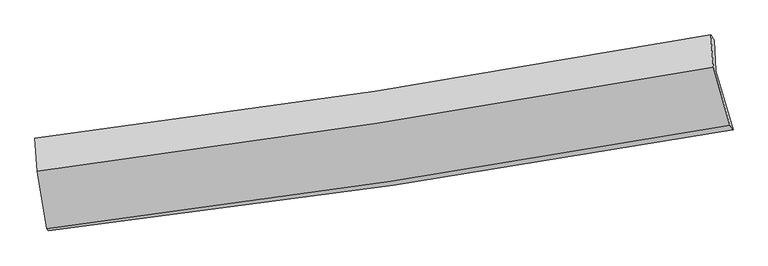
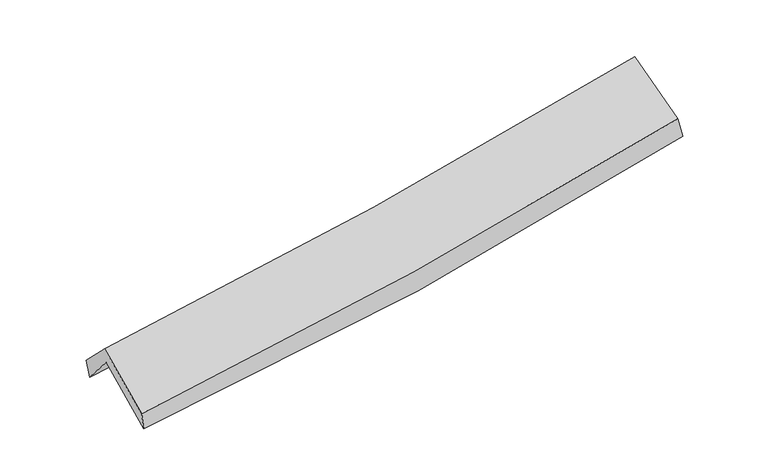
"""IFC4 building model written with IfcOpenShell, lengths in millimetres: proxy geometry."""

from ifc_helpers import new_model, si_unit, frame, origin, place, context, project, spatial, source, transform, mapped, element, save
from ifc_brep_helpers import plane_surface, spline_curve, spline_surface, advanced_brep


def generic_models_e61e553c(model_context):
    return source(origin(), model_context, "Body", "AdvancedBrep", [
        advanced_brep(
        [(-2822.569593, -2496.5973661, 1474.0682305), (-2907.3143122, -2008.6663739, 1901.1680769), (2829.9740011, -1141.5513336, 2398.5953483), (2975.8775572, -1642.406584, 1967.6303195), (-2921.0448607, -1748.7148339, 1592.6982744), (2816.9686182, -883.1242116, 2087.2408103), (-2934.8173012, -1713.1644165, 1753.4421443), (2788.3268016, -839.6026465, 2261.4996121), (-2916.9241366, -1994.5070538, 2035.5553018), (2808.6450106, -1113.7964787, 2535.9781041), (-2833.2199949, -2482.5585869, 1626.459921), (2948.8390721, -1603.7521294, 2136.1114207)],
        [
            (0, 1),
            (1, 2, spline_curve(3, [(-2907.3143122, -2008.6663739, 1901.1680769), (-1941.670136184, -1886.46793523, 1949.741555428), (-979.126466295, -1752.824813748, 2015.680243433), (933.261111123, -1463.631951691, 2181.723782066), (1883.146879313, -1308.236726552, 2281.594184871), (2829.9740011, -1141.5513336, 2398.5953483)], [4, 2, 4], [0.0, 9.637082752988428, 19.20888912464119])),
            (2, 3),
            (3, 0, spline_curve(3, [(2975.8775572, -1642.406584, 1967.6303195), (2021.682027919, -1814.906902287, 1841.014719745), (1063.037546401, -1972.149756679, 1736.64067613), (-869.717282746, -2257.088828167, 1571.815586148), (-1843.88851792, -2384.576234524, 1511.668933352), (-2822.569593, -2496.5973661, 1474.0682305)], [4, 2, 4], [0.0, 9.57180637165276, 19.20888912464119])),
            (1, 4),
            (4, 5, spline_curve(3, [(-2921.0448607, -1748.7148339, 1592.6982744), (-1954.433358895, -1627.815217472, 1632.658012275), (-991.346827897, -1494.947199951, 1694.06243453), (921.27674097, -1206.255406537, 1859.199471877), (1870.861369789, -1050.59321681, 1962.642561747), (2816.9686182, -883.1242116, 2087.2408103)], [4, 2, 4], [0.0, 9.589137373935472, 19.113323122576762])),
            (5, 2),
            (4, 6),
            (6, 7, spline_curve(3, [(-2934.8173012, -1713.1644165, 1753.4421443), (-1971.974912912, -1594.291316744, 1816.635276952), (-1012.014085315, -1461.764329755, 1890.750831874), (895.661711496, -1170.392731349, 2060.250785305), (1843.415584873, -1011.732461626, 2155.487719441), (2788.3268016, -839.6026465, 2261.4996121)], [4, 2, 4], [0.0, 9.578689176664918, 19.09249749846762])),
            (7, 5),
            (6, 8),
            (8, 9, spline_curve(3, [(-2916.9241366, -1994.5070538, 2035.5553018), (-1953.838428986, -1871.867320053, 2095.255562654), (-993.552892391, -1736.86362634, 2166.990063205), (914.932351478, -1443.126508562, 2333.960138702), (1863.16986392, -1284.560010189, 2429.033239188), (2808.6450106, -1113.7964787, 2535.9781041)], [4, 2, 4], [0.0, 9.570110002201366, 19.07539726022382])),
            (9, 7),
            (8, 10),
            (10, 11, spline_curve(3, [(-2833.2199949, -2482.5585869, 1626.459921), (-1859.632239822, -2359.39559849, 1683.918692732), (-889.373981407, -2224.290923318, 1755.310550932), (1037.934089245, -1931.194212529, 1925.382495285), (1995.028853241, -1773.363401571, 2023.874470165), (2948.8390721, -1603.7521294, 2136.1114207)], [4, 2, 4], [0.0, 9.618710860309044, 19.172269780537427])),
            (11, 9),
            (10, 0),
            (3, 11),
        ],
        [
            spline_surface(3, 3, [[(-2822.569593, -2496.5973661, 1474.0682305), (-1843.888517968, -2384.576234503, 1511.668933369), (-869.717282776, -2257.088828157, 1571.815586121), (1063.037546431, -1972.149756689, 1736.640676157), (2021.68202799, -1814.906902359, 1841.014719762), (2975.8775572, -1642.406584, 1967.6303195)], [(-2850.817832758, -2333.953702021, 1616.434845956), (-1876.482390685, -2218.54013468, 1657.693140722), (-906.187010662, -2089.000823314, 1719.770471867), (1019.778734713, -1802.643821721, 1885.001711488), (1975.503645123, -1646.016843729, 1987.874541408), (2927.243038485, -1475.454833877, 2111.285329082)], [(-2879.066072442, -2171.310037979, 1758.801461444), (-1909.076263329, -2052.504034893, 1803.717348107), (-942.656738557, -1920.912818484, 1867.725357609), (976.519922987, -1633.137886765, 2033.362746814), (1929.325262299, -1477.126785068, 2134.734363108), (2878.608519815, -1308.503083723, 2254.940338718)], [(-2907.3143122, -2008.6663739, 1901.1680769), (-1941.670136047, -1886.467935071, 1949.74155546), (-979.126466443, -1752.824813642, 2015.680243355), (933.26111127, -1463.631951796, 2181.723782144), (1883.146879431, -1308.236726438, 2281.594184755), (2829.9740011, -1141.5513336, 2398.5953483)]], [4, 4], [4, 2, 4], [0.0, 2.2450536989381087], [0.0, 9.637082752988428, 19.20888912464119]),
            spline_surface(3, 3, [[(-2907.3143122, -2008.6663739, 1901.1680769), (-1941.670136047, -1886.467935071, 1949.74155546), (-979.126466443, -1752.824813642, 2015.680243355), (933.26111127, -1463.631951796, 2181.723782144), (1883.146879431, -1308.236726438, 2281.594184755), (2829.9740011, -1141.5513336, 2398.5953483)], [(-2911.891161681, -1922.015860564, 1798.344809393), (-1945.924543603, -1800.250362501, 1844.047041093), (-983.199920279, -1666.865609068, 1908.47430707), (929.266321149, -1377.839770088, 2074.215678745), (1879.051709542, -1222.355556513, 2175.27697711), (2825.638873475, -1055.408959602, 2294.810502305)], [(-2916.468011219, -1835.365347236, 1695.521541907), (-1950.178951217, -1714.032789939, 1738.352526749), (-987.273374056, -1580.906404442, 1801.268370765), (925.271531086, -1292.047588328, 1966.707575325), (1874.956539626, -1136.474386583, 2068.959769451), (2821.303745825, -969.266585598, 2191.025656295)], [(-2921.0448607, -1748.7148339, 1592.6982744), (-1954.433358773, -1627.81521737, 1632.658012382), (-991.346827891, -1494.947199868, 1694.062434481), (921.276740965, -1206.25540662, 1859.199471926), (1870.861369736, -1050.593216658, 1962.642561807), (2816.9686182, -883.1242116, 2087.2408103)]], [4, 4], [4, 2, 4], [0.0, 1.3537064199775117], [0.0, 9.589137373935472, 19.113323122576762]),
            spline_surface(3, 3, [[(-2921.0448607, -1748.7148339, 1592.6982744), (-1954.433358773, -1627.81521737, 1632.658012382), (-991.346827891, -1494.947199868, 1694.062434481), (921.276740965, -1206.25540662, 1859.199471926), (1870.861369736, -1050.593216658, 1962.642561807), (2816.9686182, -883.1242116, 2087.2408103)], [(-2925.635674204, -1736.86469477, 1646.279564379), (-1960.280543495, -1616.640583811, 1693.983767246), (-998.235913699, -1483.886243121, 1759.625233627), (912.738397823, -1194.301181515, 1926.216576351), (1861.712774776, -1037.639631656, 2026.924281047), (2807.421345985, -868.617023211, 2145.327077569)], [(-2930.226487696, -1725.01455563, 1699.860854321), (-1966.127728205, -1605.465950243, 1755.309522074), (-1005.124999529, -1472.825286459, 1825.188032802), (904.200054659, -1182.346956496, 1993.233680805), (1852.564179862, -1024.686046721, 2091.206000281), (2797.874073815, -854.109834889, 2203.413344831)], [(-2934.8173012, -1713.1644165, 1753.4421443), (-1971.974912927, -1594.291316684, 1816.635276938), (-1012.014085336, -1461.764329712, 1890.750831948), (895.661711517, -1170.392731391, 2060.250785231), (1843.415584901, -1011.732461719, 2155.487719522), (2788.3268016, -839.6026465, 2261.4996121)]], [4, 4], [4, 2, 4], [0.0, 0.6664960586655729], [0.0, 9.578689176664918, 19.09249749846762]),
            spline_surface(3, 3, [[(-2934.8173012, -1713.1644165, 1753.4421443), (-1971.974912927, -1594.291316684, 1816.635276938), (-1012.014085336, -1461.764329712, 1890.750831948), (895.661711517, -1170.392731391, 2060.250785231), (1843.415584901, -1011.732461719, 2155.487719522), (2788.3268016, -839.6026465, 2261.4996121)], [(-2928.85291302, -1806.945295598, 1847.479863469), (-1965.929418315, -1686.816651117, 1909.508705565), (-1005.860354365, -1553.464095289, 1982.830575726), (902.085258162, -1261.303990411, 2151.487236404), (1850.00034458, -1102.674977916, 2246.669559379), (2795.099537957, -931.000590567, 2352.992442771)], [(-2922.88852478, -1900.726174702, 1941.517582631), (-1959.883923643, -1779.341985555, 2002.382134185), (-999.706623366, -1645.163860872, 2074.910319441), (908.508804836, -1352.215249435, 2242.723687515), (1856.585104188, -1193.617494114, 2337.851399221), (2801.872274243, -1022.398534633, 2444.485273429)], [(-2916.9241366, -1994.5070538, 2035.5553018), (-1953.838429031, -1871.867319987, 2095.255562812), (-993.552892395, -1736.863626449, 2166.990063219), (914.932351482, -1443.126508455, 2333.960138688), (1863.169863867, -1284.560010312, 2429.033239077), (2808.6450106, -1113.7964787, 2535.9781041)]], [4, 4], [4, 2, 4], [0.0, 1.2749182030150392], [0.0, 9.570110002201366, 19.07539726022382]),
            spline_surface(3, 3, [[(-2916.9241366, -1994.5070538, 2035.5553018), (-1953.838429031, -1871.867319987, 2095.255562812), (-993.552892395, -1736.863626449, 2166.990063219), (914.932351482, -1443.126508455, 2333.960138688), (1863.169863867, -1284.560010312, 2429.033239077), (2808.6450106, -1113.7964787, 2535.9781041)], [(-2889.022756011, -2157.190898171, 1899.19017487), (-1922.436365906, -2034.376746163, 1958.143272774), (-958.82658873, -1899.33939213, 2029.763559107), (955.932930746, -1605.815743132, 2197.767590868), (1907.122860342, -1447.494474105, 2293.980316153), (2855.376364439, -1277.115028935, 2402.689209637)], [(-2861.121375489, -2319.874742529, 1762.82504793), (-1891.034302848, -2196.886172324, 1821.030982726), (-924.100285084, -2061.815157745, 1892.537055049), (996.933509992, -1768.504977744, 2061.5750431), (1951.0758568, -1610.428937893, 2158.927393217), (2902.107718261, -1440.433579165, 2269.400315163)], [(-2833.2199949, -2482.5585869, 1626.459921), (-1859.632239722, -2359.3955985, 1683.918692688), (-889.373981419, -2224.290923427, 1755.310550937), (1037.934089257, -1931.194212421, 1925.38249528), (1995.028853275, -1773.363401686, 2023.874470293), (2948.8390721, -1603.7521294, 2136.1114207)]], [4, 4], [4, 2, 4], [0.0, 2.123688928540466], [0.0, 9.618710860309044, 19.172269780537427]),
            spline_surface(3, 3, [[(-2833.2199949, -2482.5585869, 1626.459921), (-1859.632239722, -2359.3955985, 1683.918692688), (-889.373981419, -2224.290923427, 1755.310550937), (1037.934089257, -1931.194212421, 1925.38249528), (1995.028853275, -1773.363401686, 2023.874470293), (2948.8390721, -1603.7521294, 2136.1114207)], [(-2829.669860926, -2487.238179975, 1575.662690833), (-1854.384332464, -2367.789143842, 1626.502106248), (-882.821748526, -2235.223558331, 1694.145562664), (1046.301908328, -1944.846060505, 1862.46855557), (2003.913244839, -1787.211235252, 1962.921220118), (2957.851900459, -1616.636947609, 2079.951053635)], [(-2826.119726974, -2491.917773025, 1524.865460667), (-1849.136425227, -2376.182689161, 1569.085519809), (-876.26951567, -2246.156193252, 1632.980574395), (1054.66972736, -1958.497908605, 1799.554615866), (2012.797636427, -1801.059068793, 1901.967969937), (2966.864728841, -1629.521765791, 2023.790686565)], [(-2822.569593, -2496.5973661, 1474.0682305), (-1843.888517968, -2384.576234503, 1511.668933369), (-869.717282776, -2257.088828157, 1571.815586121), (1063.037546431, -1972.149756689, 1736.640676157), (2021.68202799, -1814.906902359, 1841.014719762), (2975.8775572, -1642.406584, 1967.6303195)]], [4, 4], [4, 2, 4], [0.0, 0.6267279044282501], [0.0, 9.675309310232974, 19.28508331312624]),
            plane_surface(frame((2861.4385101, -1204.0388973, 2231.1759358), z_axis=(0.9758718819361767, 0.1863007295569573, 0.11386882019626995), x_axis=(0.21642611496077183, -0.7563743915879628, -0.6172985635111474))),
            plane_surface(frame((-2889.3150331, -2074.0347719, 1730.5653248), z_axis=(-0.9909195814079084, -0.12126333764584128, -0.05808258022304592), x_axis=(-0.06942573225267448, 0.09151321562756741, 0.9933807925799061))),
        ],
        [
            (0, [[1, 2, 3, 4]]),
            (1, [[5, 6, 7, -2]]),
            (2, [[8, 9, 10, -6]]),
            (3, [[11, 12, 13, -9]]),
            (4, [[14, 15, 16, -12]]),
            (5, [[17, -4, 18, -15]]),
            (6, [[-16, -18, -3, -7, -10, -13]]),
            (7, [[-17, -14, -11, -8, -5, -1]]),
        ],
    ),
    ])


if __name__ == "__main__":
    model = new_model("IFC4")
    model_context = context("Model", 3, world=origin())
    ifc_project = project(units=[si_unit("LENGTHUNIT", "METRE", prefix="MILLI")], contexts=[model_context])
    site = spatial("IfcSite", under=ifc_project)
    building = spatial("IfcBuilding", under=site)
    placement = place(None, origin())
    generic_models_shape = generic_models_e61e553c(model_context)
    element("IfcBuildingElementProxy", 1, Name="Generic Models", at=placement, inside=building, context=model_context, shape_type="MappedRepresentation", body=[
        mapped(generic_models_shape, transform((0.0, 0.0, 0.0), x_axis=(1.0, 0.0, 0.0), y_axis=(0.0, 1.0, 0.0), z_axis=(0.0, 0.0, 1.0))),
    ])
    save(model, "model.ifc")
